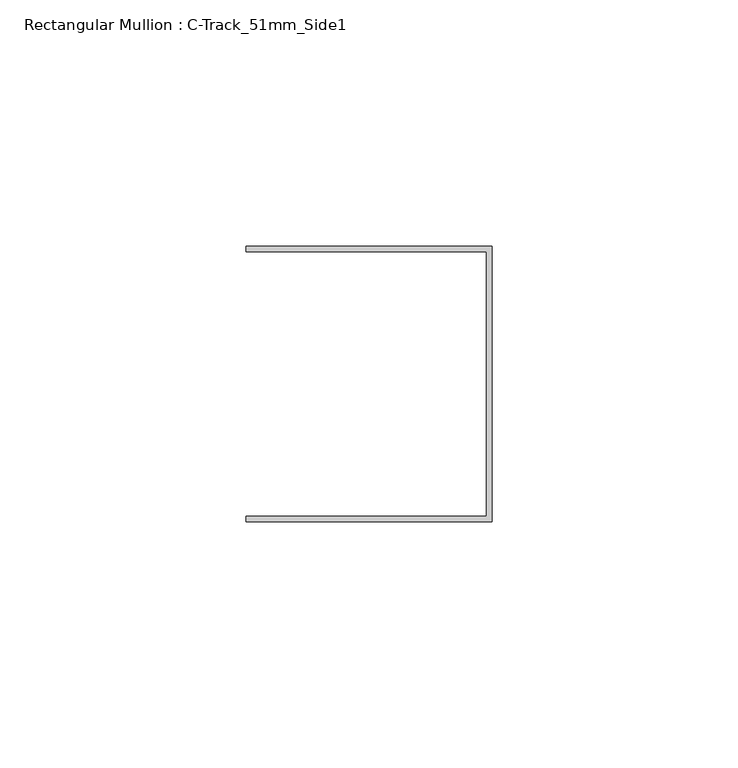
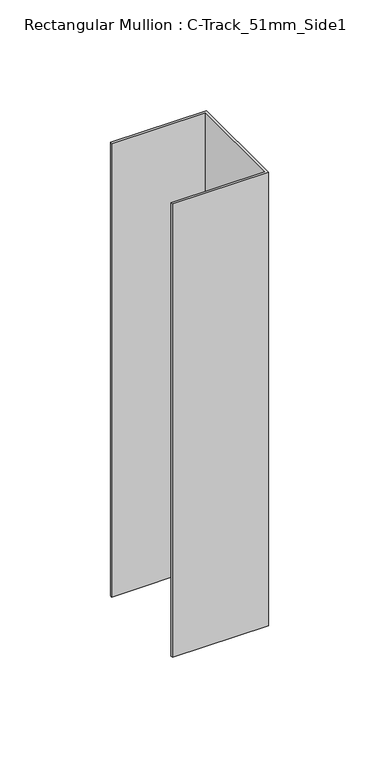
"""IFC4 building model written with IfcOpenShell, lengths in millimetres: member geometry, Rectangular Mullion : C-Track_51mm_Side1."""

from ifc_helpers import new_model, si_unit, frame, origin, place, context, project, spatial, polyline, outline, extrude, source, transform, mapped, element, save


def rectangular_mullion_c_track_51mm_side1_02378d1a(model_context):
    return source(origin(), model_context, "Body", "SweptSolid", [
        extrude(outline(polyline([(-1.15, 26.85), (-50.0, 26.85), (-50.0, 28.0), (0.0, 28.0), (0.0, -28.0), (-50.0, -28.0), (-50.0, -26.85), (-1.15, -26.85), (-1.15, 26.85)])), frame((0.0, 0.0, -250.0), z_axis=(0.0, 0.0, 1.0), x_axis=(1.0, 0.0, 0.0)), (0.0, 0.0, 1.0), 250.0),
    ])


if __name__ == "__main__":
    model = new_model("IFC4")
    model_context = context("Model", 3, world=origin())
    ifc_project = project(units=[si_unit("LENGTHUNIT", "METRE", prefix="MILLI")], contexts=[model_context])
    site = spatial("IfcSite", under=ifc_project)
    building = spatial("IfcBuilding", under=site)
    placement = place(None, origin())
    rectangular_mullion_c_track_51mm_side1_shape = rectangular_mullion_c_track_51mm_side1_02378d1a(model_context)
    element("IfcMember", 1, ObjectType="Rectangular Mullion : C-Track_51mm_Side1", at=placement, inside=building, context=model_context, shape_type="MappedRepresentation", body=[
        mapped(rectangular_mullion_c_track_51mm_side1_shape, transform((0.0, 0.0, 0.0), x_axis=(1.0, 0.0, 0.0), y_axis=(0.0, 1.0, 0.0), z_axis=(0.0, 0.0, 1.0))),
    ])
    save(model, "model.ifc")
